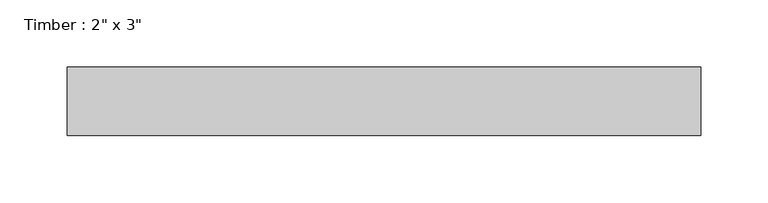
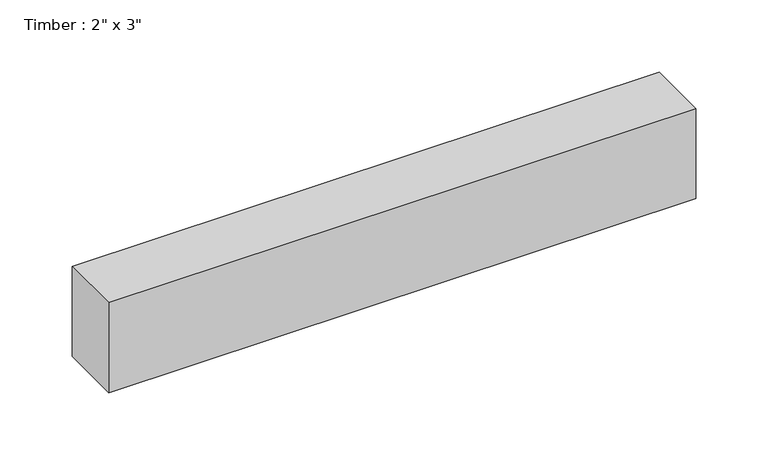
"""IFC4 building model written with IfcOpenShell, lengths in millimetres: beam geometry."""

from ifc_helpers import new_model, si_unit, frame, origin, place, context, project, spatial, polyline, outline, extrude, source, transform, mapped, element, save


def beam_6e5bbc6e(model_context):
    return source(origin(), model_context, "Body", "SweptSolid", [
        extrude(outline(polyline([(234.7233607, -25.4), (-234.7233607, -25.4), (-234.7233607, 25.4), (234.7233607, 25.4), (234.7233607, -25.4)])), frame((0.0, 0.0, -38.1), z_axis=(0.0, 0.0, 1.0), x_axis=(1.0, 0.0, 0.0)), (0.0, 0.0, 1.0), 76.2),
    ])


if __name__ == "__main__":
    model = new_model("IFC4")
    model_context = context("Model", 3, world=origin())
    ifc_project = project(units=[si_unit("LENGTHUNIT", "METRE", prefix="MILLI")], contexts=[model_context])
    site = spatial("IfcSite", under=ifc_project)
    building = spatial("IfcBuilding", under=site)
    placement = place(None, origin())
    beam_shape = beam_6e5bbc6e(model_context)
    element("IfcBeam", 1, ObjectType="Timber : 2\" x 3\"", at=placement, inside=building, context=model_context, shape_type="MappedRepresentation", body=[
        mapped(beam_shape, transform((0.0, 0.0, 0.0), x_axis=(1.0, 0.0, 0.0), y_axis=(0.0, 1.0, 0.0), z_axis=(0.0, 0.0, 1.0))),
    ])
    save(model, "model.ifc")
